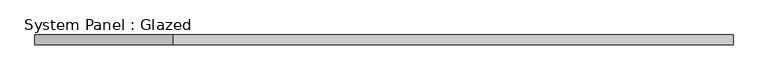
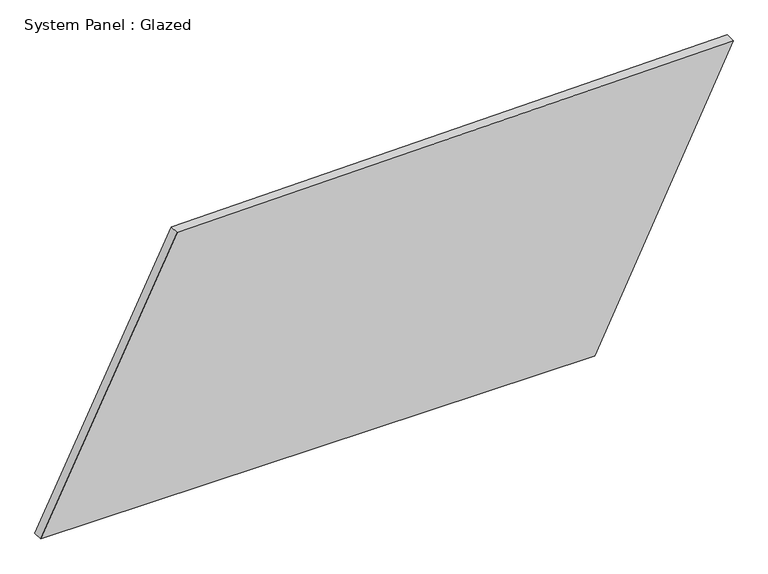
"""IFC4 building model written with IfcOpenShell, lengths in millimetres: plate geometry, System Panel : Glazed."""

from ifc_helpers import new_model, si_unit, frame, origin, place, context, project, spatial, polyline, outline, extrude, source, transform, mapped, element, save


def system_panel_glazed_a829f5b3(model_context):
    return source(origin(), model_context, "Body", "SweptSolid", [
        extrude(outline(polyline([(0.0, -883.4338119), (0.0, 529.8511863), (727.2085824, 883.4338119), (704.820241, -535.1982858), (0.0, -883.4338119)])), frame((0.0, -49.5, 0.0), z_axis=(0.0, 1.0, 0.0), x_axis=(0.0, 0.0, 1.0)), (0.0, 0.0, 1.0), 25.0),
    ])


if __name__ == "__main__":
    model = new_model("IFC4")
    model_context = context("Model", 3, world=origin())
    ifc_project = project(units=[si_unit("LENGTHUNIT", "METRE", prefix="MILLI")], contexts=[model_context])
    site = spatial("IfcSite", under=ifc_project)
    building = spatial("IfcBuilding", under=site)
    placement = place(None, origin())
    system_panel_glazed_shape = system_panel_glazed_a829f5b3(model_context)
    element("IfcPlate", 1, ObjectType="System Panel : Glazed", at=placement, inside=building, context=model_context, shape_type="MappedRepresentation", body=[
        mapped(system_panel_glazed_shape, transform((0.0, 0.0, 0.0), x_axis=(1.0, 0.0, 0.0), y_axis=(0.0, 1.0, 0.0), z_axis=(0.0, 0.0, 1.0))),
    ])
    save(model, "model.ifc")
